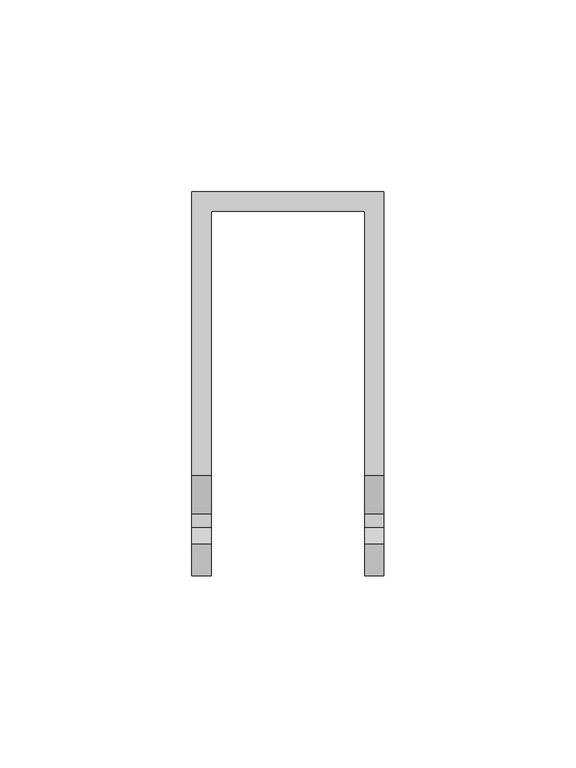
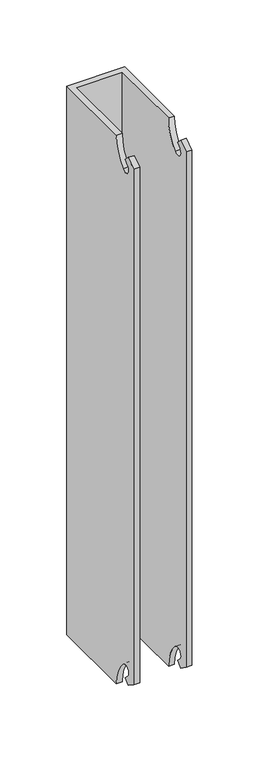
"""IFC4 building model written with IfcOpenShell, lengths in millimetres: plate geometry."""

from ifc_helpers import new_model, si_unit, frame, origin, place, context, project, spatial, polyline, circle_curve, source, transform, mapped, element, save
from ifc_brep_helpers import plane_surface, revolved_surface, advanced_brep


def plate_9fdaf26f(model_context):
    return source(origin(), model_context, "Body", "AdvancedBrep", [
        advanced_brep(
        [(-25.0, 0.0, 500.0), (-25.0, -73.818351, 500.0), (-20.0, -73.8181152, 500.0), (-20.0, -5.0, 500.0), (20.0, -5.0, 500.0), (20.0, -73.818351, 500.0), (25.0, -73.8181152, 500.0), (25.0, 0.0, 500.0), (-20.0, -5.0, 0.0), (-20.0, -73.818351, 0.0), (-25.0, -73.818351, 0.0), (-25.0, 0.0, 0.0), (25.0, 0.0, 0.0), (25.0, -73.818351, 0.0), (20.0, -73.818351, 0.0), (20.0, -5.0, 0.0), (-20.0, -83.9099992, 475.662583), (-20.0, -90.981067, 482.7336508), (-20.0, -87.4455331, 486.2691847), (-20.0, -91.8084796, 490.6321312), (-20.0, -100.0, 484.8963668), (-20.0, -100.0, 15.0), (-20.0, -91.8084796, 9.2642356), (-20.0, -87.4455331, 13.6271821), (-20.0, -90.981067, 17.162716), (-20.0, -83.9099992, 24.2337838), (20.0, -83.9099992, 24.2337838), (20.0, -90.981067, 17.162716), (20.0, -87.4455331, 13.6271821), (20.0, -91.8084796, 9.2642356), (20.0, -100.0, 15.0), (20.0, -100.0, 484.8963668), (20.0, -91.8084796, 490.6321312), (20.0, -87.4455331, 486.2691847), (20.0, -90.981067, 482.7336508), (20.0, -83.9099992, 475.662583), (-25.0, -83.9099992, 24.2337838), (-25.0, -90.981067, 17.162716), (-25.0, -87.4455331, 13.6271821), (-25.0, -91.8084796, 9.2642356), (-25.0, -100.0, 15.0), (-25.0, -100.0, 484.8963668), (-25.0, -91.8084796, 490.6321312), (-25.0, -87.4455331, 486.2691847), (-25.0, -90.981067, 482.7336508), (-25.0, -83.9099992, 475.662583), (25.0, -83.9099992, 475.662583), (25.0, -90.981067, 482.7336508), (25.0, -87.4455331, 486.2691847), (25.0, -91.8084796, 490.6321312), (25.0, -100.0, 484.8963668), (25.0, -100.0, 15.0), (25.0, -91.8084796, 9.2642356), (25.0, -87.4455331, 13.6271821), (25.0, -90.981067, 17.162716), (25.0, -83.9099992, 24.2337838)],
        [
            (0, 1),
            (1, 2),
            (2, 3),
            (3, 4),
            (4, 5),
            (5, 6),
            (6, 7),
            (7, 0),
            (8, 9),
            (9, 10),
            (10, 11),
            (11, 12),
            (12, 13),
            (13, 14),
            (14, 15),
            (15, 8),
            (2, 16, circle_curve(frame((-20.0, -108.2739871, 500.0265709), z_axis=(-1.0, 0.0, 0.0), x_axis=(0.0, -1.0, 0.0)), 34.4558821)),
            (16, 17, circle_curve(frame((-20.0, -87.4455331, 479.1981169), z_axis=(-1.0, 0.0, 0.0), x_axis=(0.0, -1.0, 0.0)), 5.0)),
            (17, 18),
            (18, 19),
            (19, 20),
            (20, 21),
            (21, 22),
            (22, 23),
            (23, 24),
            (24, 25, circle_curve(frame((-20.0, -87.4455331, 20.6982499), z_axis=(-1.0, 0.0, 0.0), x_axis=(0.0, -1.0, 0.0)), 5.0)),
            (25, 9, circle_curve(frame((-20.0, -108.2739871, -0.1302041), z_axis=(-1.0, 0.0, 0.0), x_axis=(0.0, -1.0, 0.0)), 34.4558821)),
            (8, 3),
            (14, 26, circle_curve(frame((20.0, -108.2739871, -0.1302041), z_axis=(1.0, 0.0, 0.0), x_axis=(0.0, -1.0, 0.0)), 34.4558821)),
            (26, 27, circle_curve(frame((20.0, -87.4455331, 20.6982499), z_axis=(1.0, 0.0, 0.0), x_axis=(0.0, -1.0, 0.0)), 5.0)),
            (27, 28),
            (28, 29),
            (29, 30),
            (30, 31),
            (31, 32),
            (32, 33),
            (33, 34),
            (34, 35, circle_curve(frame((20.0, -87.4455331, 479.1981169), z_axis=(1.0, 0.0, 0.0), x_axis=(0.0, -1.0, 0.0)), 5.0)),
            (35, 5, circle_curve(frame((20.0, -108.2739871, 500.0265709), z_axis=(1.0, 0.0, 0.0), x_axis=(0.0, -1.0, 0.0)), 34.4558821)),
            (4, 15),
            (10, 36, circle_curve(frame((-25.0, -108.2739871, -0.1302041), z_axis=(1.0, 0.0, 0.0), x_axis=(0.0, -1.0, 0.0)), 34.4558821)),
            (36, 37, circle_curve(frame((-25.0, -87.4455331, 20.6982499), z_axis=(1.0, 0.0, 0.0), x_axis=(0.0, -1.0, 0.0)), 5.0)),
            (37, 38),
            (38, 39),
            (39, 40),
            (40, 41),
            (41, 42),
            (42, 43),
            (43, 44),
            (44, 45, circle_curve(frame((-25.0, -87.4455331, 479.1981169), z_axis=(1.0, 0.0, 0.0), x_axis=(0.0, -1.0, 0.0)), 5.0)),
            (45, 1, circle_curve(frame((-25.0, -108.2739871, 500.0265709), z_axis=(1.0, 0.0, 0.0), x_axis=(0.0, -1.0, 0.0)), 34.4558821)),
            (0, 11),
            (7, 12),
            (6, 46, circle_curve(frame((25.0, -108.2739871, 500.0265709), z_axis=(-1.0, 0.0, 0.0), x_axis=(0.0, -1.0, 0.0)), 34.4558821)),
            (46, 47, circle_curve(frame((25.0, -87.4455331, 479.1981169), z_axis=(-1.0, 0.0, 0.0), x_axis=(0.0, -1.0, 0.0)), 5.0)),
            (47, 48),
            (48, 49),
            (49, 50),
            (50, 51),
            (51, 52),
            (52, 53),
            (53, 54),
            (54, 55, circle_curve(frame((25.0, -87.4455331, 20.6982499), z_axis=(-1.0, 0.0, 0.0), x_axis=(0.0, -1.0, 0.0)), 5.0)),
            (55, 13, circle_curve(frame((25.0, -108.2739871, -0.1302041), z_axis=(-1.0, 0.0, 0.0), x_axis=(0.0, -1.0, 0.0)), 34.4558821)),
            (50, 31),
            (30, 51),
            (20, 41),
            (40, 21),
            (39, 22),
            (29, 52),
            (28, 53),
            (38, 23),
            (27, 54),
            (37, 24),
            (26, 55),
            (36, 25),
            (49, 32),
            (19, 42),
            (18, 43),
            (48, 33),
            (17, 44),
            (47, 34),
            (16, 45),
            (46, 35),
        ],
        [
            plane_surface(frame((-20.0, -5.0, 500.0), z_axis=(0.0, 0.0, 1.0), x_axis=(0.0, -1.0, 0.0))),
            plane_surface(frame((-20.0, -5.0, 0.0), z_axis=(0.0, 0.0, -1.0), x_axis=(0.0, 1.0, 0.0))),
            plane_surface(frame((-20.0, -5.0, 500.0), z_axis=(1.0, 0.0, 0.0), x_axis=(0.0, 0.0, -1.0))),
            plane_surface(frame((20.0, -100.0, 500.0), z_axis=(-1.0, 0.0, 0.0), x_axis=(0.0, 0.0, -1.0))),
            plane_surface(frame((20.0, -5.0, 500.0), z_axis=(0.0, -1.0, 0.0), x_axis=(0.0, 0.0, -1.0))),
            plane_surface(frame((-25.0, -100.0, 500.0), z_axis=(-1.0, 0.0, 0.0), x_axis=(0.0, 0.0, -1.0))),
            plane_surface(frame((-25.0, 0.0, 500.0), z_axis=(0.0, 1.0, 0.0), x_axis=(0.0, 0.0, -1.0))),
            plane_surface(frame((25.0, 0.0, 500.0), z_axis=(1.0, 0.0, 0.0), x_axis=(0.0, 0.0, -1.0))),
            plane_surface(frame((25.0, -100.0, 500.0), z_axis=(0.0, -1.0, 0.0), x_axis=(0.0, 0.0, -1.0))),
            plane_surface(frame((-20.0, -100.0, 500.0), z_axis=(0.0, -1.0, 0.0), x_axis=(0.0, 0.0, -1.0))),
            plane_surface(frame((34.950421, -100.0, 15.0), z_axis=(0.0, -0.5735764363510456, -0.8191520442889921), x_axis=(-1.0, 0.0, 0.0))),
            plane_surface(frame((34.950421, -91.8084796, 9.2642356), z_axis=(0.0, 0.7071067811865495, -0.7071067811865457), x_axis=(-1.0, 0.0, 0.0))),
            plane_surface(frame((34.950421, -87.4455331, 13.6271821), z_axis=(0.0, 0.7071067811865452, 0.7071067811865499), x_axis=(-1.0, 0.0, 0.0))),
            revolved_surface(polyline([(25.0, -92.4455331, 20.6982499), (20.0, -92.4455331, 20.6982499)]), (-37.6310235, -87.4455331, 20.6982499), (1.0, 0.0, 0.0)),
            revolved_surface(polyline([(-20.0, -92.4455331, 20.6982499), (-25.0, -92.4455331, 20.6982499)]), (-37.6310235, -87.4455331, 20.6982499), (1.0, 0.0, 0.0)),
            revolved_surface(polyline([(25.0, -142.7298692, -0.1302041), (20.0, -142.7298692, -0.1302041)]), (-37.6310235, -108.2739871, -0.1302041), (1.0, 0.0, 0.0)),
            revolved_surface(polyline([(-20.0, -142.7298692, -0.1302041), (-25.0, -142.7298692, -0.1302041)]), (-37.6310235, -108.2739871, -0.1302041), (1.0, 0.0, 0.0)),
            plane_surface(frame((34.950421, -91.8084796, 490.6321312), z_axis=(0.0, -0.5735764363510519, 0.8191520442889877), x_axis=(-1.0, 0.0, 0.0))),
            plane_surface(frame((34.950421, -87.4455331, 486.2691847), z_axis=(0.0, 0.7071067811865435, 0.7071067811865517), x_axis=(-1.0, 0.0, 0.0))),
            plane_surface(frame((34.950421, -90.981067, 482.7336508), z_axis=(0.0, 0.7071067811865543, -0.7071067811865408), x_axis=(-1.0, 0.0, 0.0))),
            revolved_surface(polyline([(-20.0, -92.4455331, 479.1981169), (-25.0, -92.4455331, 479.1981169)]), (-37.6310235, -87.4455331, 479.1981169), (1.0, 0.0, 0.0)),
            revolved_surface(polyline([(25.0, -92.4455331, 479.1981169), (20.0, -92.4455331, 479.1981169)]), (-37.6310235, -87.4455331, 479.1981169), (1.0, 0.0, 0.0)),
            revolved_surface(polyline([(-20.0, -142.7298692, 500.0265709), (-25.0, -142.7298692, 500.0265709)]), (-37.6310235, -108.2739871, 500.0265709), (1.0, 0.0, 0.0)),
            revolved_surface(polyline([(25.0, -142.7298692, 500.0265709), (20.0, -142.7298692, 500.0265709)]), (-37.6310235, -108.2739871, 500.0265709), (1.0, 0.0, 0.0)),
        ],
        [
            (0, [[1, 2, 3, 4, 5, 6, 7, 8]]),
            (1, [[9, 10, 11, 12, 13, 14, 15, 16]]),
            (2, [[-3, 17, 18, 19, 20, 21, 22, 23, 24, 25, 26, 27, -9, 28]]),
            (3, [[-15, 29, 30, 31, 32, 33, 34, 35, 36, 37, 38, 39, -5, 40]]),
            (4, [[-28, -16, -40, -4]]),
            (5, [[-11, 41, 42, 43, 44, 45, 46, 47, 48, 49, 50, 51, -1, 52]]),
            (6, [[53, -12, -52, -8]]),
            (7, [[-7, 54, 55, 56, 57, 58, 59, 60, 61, 62, 63, 64, -13, -53]]),
            (8, [[-59, 65, -34, 66]]),
            (9, [[-22, 67, -46, 68]]),
            (10, [[-23, -68, -45, 69]]),
            (10, [[-60, -66, -33, 70]]),
            (11, [[-32, 71, -61, -70]]),
            (11, [[-44, 72, -24, -69]]),
            (12, [[-31, 73, -62, -71]]),
            (12, [[-43, 74, -25, -72]]),
            (13, [[-30, 75, -63, -73]]),
            (14, [[-42, 76, -26, -74]]),
            (15, [[-29, -14, -64, -75]]),
            (16, [[-41, -10, -27, -76]]),
            (17, [[-35, -65, -58, 77]]),
            (17, [[-47, -67, -21, 78]]),
            (18, [[-20, 79, -48, -78]]),
            (18, [[-57, 80, -36, -77]]),
            (19, [[-19, 81, -49, -79]]),
            (19, [[-56, 82, -37, -80]]),
            (20, [[-18, 83, -50, -81]]),
            (21, [[-55, 84, -38, -82]]),
            (22, [[-17, -2, -51, -83]]),
            (23, [[-54, -6, -39, -84]]),
        ],
    ),
    ])


if __name__ == "__main__":
    model = new_model("IFC4")
    model_context = context("Model", 3, world=origin())
    ifc_project = project(units=[si_unit("LENGTHUNIT", "METRE", prefix="MILLI")], contexts=[model_context])
    site = spatial("IfcSite", under=ifc_project)
    building = spatial("IfcBuilding", under=site)
    placement = place(None, origin())
    plate_shape = plate_9fdaf26f(model_context)
    element("IfcPlate", 1, at=placement, inside=building, context=model_context, shape_type="MappedRepresentation", body=[
        mapped(plate_shape, transform((0.0, 0.0, 0.0), x_axis=(1.0, 0.0, 0.0), y_axis=(0.0, 1.0, 0.0), z_axis=(0.0, 0.0, 1.0))),
    ])
    save(model, "model.ifc")
